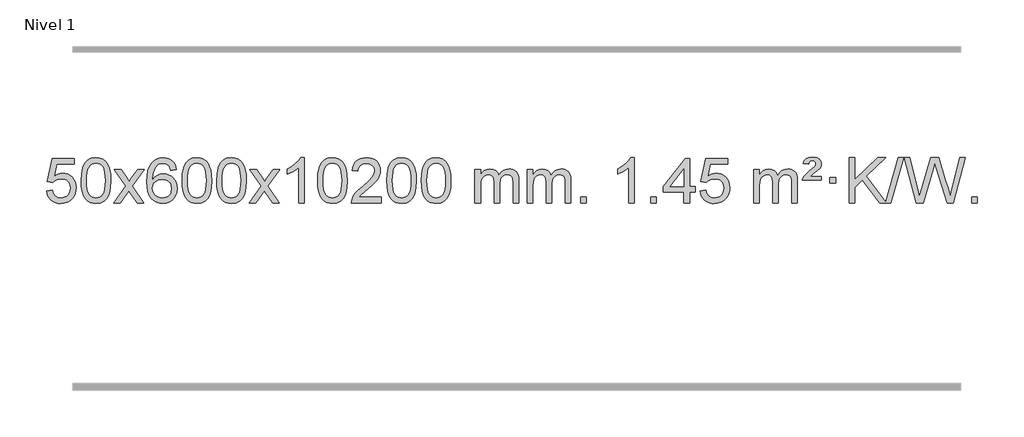
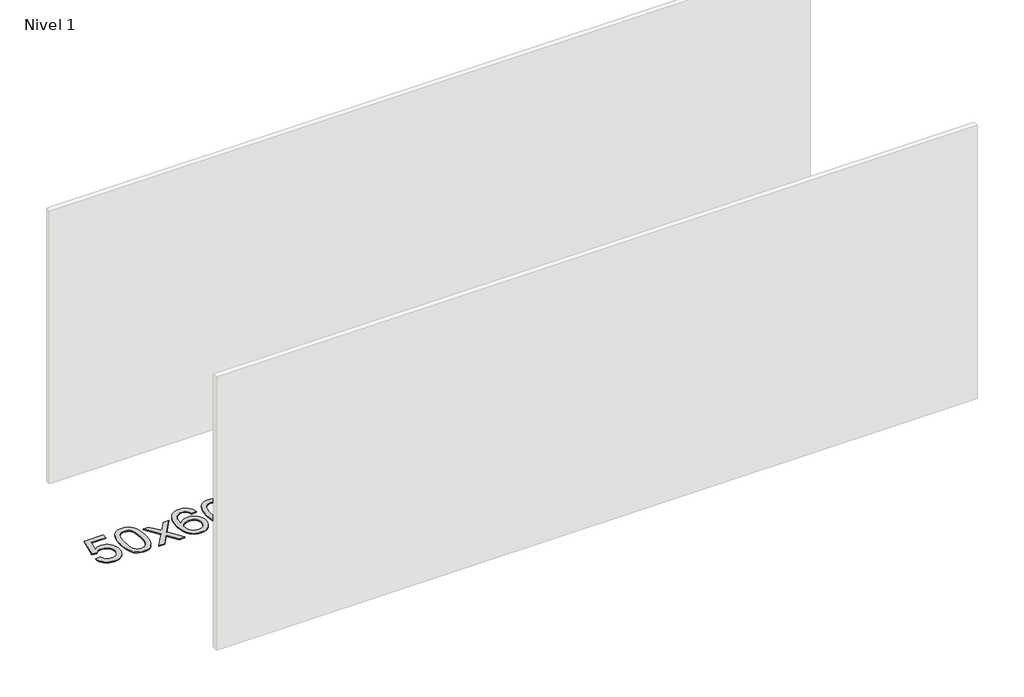
# One storey, part 16 of 16: 1 proxy.
"""IFC4 building model written with IfcOpenShell, lengths in millimetres."""

from ifc_helpers import new_model, si_unit, origin, origin_with_axes, place, context, project, spatial, polyline, outline, extrude, element, save

model = new_model("IFC4")

# Units and contexts
model_context = context("Model", 3, world=origin())
ifc_project = project(units=[si_unit("LENGTHUNIT", "METRE", prefix="MILLI")], contexts=[model_context])

# Site, building, storey
site = spatial("IfcSite", under=ifc_project)
building = spatial("IfcBuilding", under=site)
storey = spatial("IfcBuildingStorey", under=building, Name="Nivel 1", Elevation=0.0)

# Proxy
placement = place(None, origin())
element("IfcBuildingElementProxy", 1, Name="Texto de modelo 1", ObjectType="Texto de modelo 1", at=placement, inside=storey, context=model_context, shape_type="SweptSolid", body=[
    extrude(outline(polyline([(-463.8171603, 2715.1553765), (-413.5890052, 2721.4338959), (-404.3674299, 2691.2798351), (-388.278724, 2669.6851619), (-365.3964639, 2656.6989275), (-335.794226, 2652.3701827), (-316.6643622, 2653.8754332), (-299.7908414, 2658.3911847), (-285.1736634, 2665.9174372), (-272.8128284, 2676.4541906), (-262.9842478, 2689.480279), (-255.963833, 2704.4745359), (-250.3475012, 2740.3675559), (-255.6082138, 2774.1636486), (-262.1841044, 2788.0818507), (-271.3903514, 2800.0134901), (-283.2576114, 2809.5845533), (-297.8165413, 2816.4210271), (-335.0094111, 2821.8902061), (-359.3754619, 2819.7074396), (-379.1061995, 2813.1591401), (-394.8638117, 2803.1282243), (-407.3104858, 2790.4976092), (-457.5386409, 2796.7761285), (-413.5890052, 3003.9672682), (-218.9549043, 3003.9672682), (-218.9549043, 2953.7391131), (-372.974833, 2953.7391131), (-394.4591415, 2843.080209), (-376.7333607, 2855.7844006), (-358.5783842, 2864.8588231), (-339.9942121, 2870.3034766), (-320.9808443, 2872.1183612), (-296.5197573, 2869.8681496), (-274.0513645, 2863.117515), (-253.5756657, 2851.8664573), (-235.0926612, 2836.1149766), (-219.7918358, 2816.8256973), (-208.8626749, 2794.961244), (-202.3051783, 2770.5216168), (-200.1193462, 2743.5068156), (-202.0875148, 2717.4852958), (-207.9920209, 2693.2786606), (-217.8328642, 2670.8869098), (-231.6100449, 2650.3100435), (-252.4812168, 2629.2365366), (-276.8350049, 2614.1840316), (-304.6714092, 2605.1525286), (-335.9904297, 2602.1420276), (-361.9107819, 2604.0764738), (-385.3234053, 2609.8798123), (-406.2282996, 2619.552043), (-424.6254651, 2633.0931662), (-439.9324218, 2649.8287312), (-451.5666899, 2669.084288), (-459.5282694, 2690.8598364), (-463.8171603, 2715.1553765)])), origin_with_axes(), (0.0, 0.0, 1.0), 10.0),
    extrude(outline(polyline([(-156.1697105, 2806.0958057), (-152.4786278, 2870.4138412), (-141.4053797, 2921.7088541), (-123.0603309, 2960.7656593), (-111.2022679, 2975.9990395), (-97.5538459, 2988.3690716), (-82.0690796, 2997.9401349), (-64.7019837, 3004.7766086), (-24.3208034, 3010.2457876), (6.6303351, 3007.008426), (34.3441121, 2997.2963414), (57.5206778, 2981.4896783), (74.8601825, 2959.9685816), (87.9567815, 2932.9169922), (98.4046302, 2900.5188512), (105.2472353, 2859.3773814), (107.5281037, 2806.0958057), (103.8738092, 2742.1456523), (92.9109257, 2690.9732667), (74.6762415, 2651.8796734), (62.8457697, 2636.6003078), (49.2065447, 2624.1658964), (33.7033843, 2614.5304538), (16.2811061, 2607.6479948), (-24.3208034, 2602.1420276), (-51.9855294, 2604.5332606), (-76.5109958, 2611.7069595), (-97.8972024, 2623.6631243), (-116.1441494, 2640.4017551), (-133.6553324, 2670.6600492), (-146.1633202, 2708.3618224), (-153.6681129, 2753.5070745), (-156.1697105, 2806.0958057)]), holes=[polyline([(-105.9415554, 2806.1939076), (-104.4700274, 2762.5293805), (-100.0554435, 2727.1851178), (-92.6978036, 2700.1611196), (-82.3971077, 2681.4573858), (-69.9381708, 2668.7317344), (-56.1058078, 2659.6419835), (-40.9000186, 2654.1881329), (-24.3208034, 2652.3701827), (-7.7415881, 2654.1942643), (7.464201, 2659.6665089), (21.296564, 2668.7869167), (33.7555009, 2681.5554876), (44.0561968, 2700.2898783), (51.4138367, 2727.3077451), (55.8284206, 2762.6090882), (57.2999486, 2806.1939076), (55.8774716, 2848.7026722), (51.6100404, 2883.4246011), (44.4976552, 2910.3596945), (34.5403158, 2929.5079524), (22.2898454, 2942.8559375), (8.2980668, 2952.3902125), (-7.4350198, 2958.1107775), (-24.9094146, 2960.0176325), (-41.4027907, 2958.3376381), (-56.3510624, 2953.2976548), (-69.7542298, 2944.8976825), (-81.6122928, 2933.1377214), (-92.2563452, 2912.291075), (-99.8592397, 2884.1848906), (-104.4209765, 2848.8191681), (-105.9415554, 2806.1939076)])]), origin_with_axes(), (0.0, 0.0, 1.0), 10.0),
    extrude(outline(polyline([(132.6421812, 2608.420547), (239.9656219, 2756.7505675), (138.9207006, 2903.5109581), (199.3514497, 2903.5109581), (248.1080768, 2832.877615), (270.8677095, 2799.5229808), (290.5861845, 2826.7952993), (346.1118403, 2903.5109581), (406.5425894, 2903.5109581), (300.396371, 2756.7505675), (402.6185147, 2608.420547), (342.1877657, 2608.420547), (280.6778961, 2697.5951426), (269.3961816, 2713.8800523), (193.0729303, 2608.420547), (132.6421812, 2608.420547)])), origin_with_axes(), (0.0, 0.0, 1.0), 10.0),
    extrude(outline(polyline([(691.4304064, 2903.5109581), (641.2022513, 2897.2324387), (633.1088475, 2922.125787), (622.1704895, 2939.1219352), (599.3863312, 2954.7937082), (571.8442325, 2960.0176325), (548.4959886, 2956.9764747), (526.5211707, 2947.8530012), (507.6488244, 2928.6372983), (492.2345688, 2902.1865829), (481.8235083, 2864.772984), (477.9607474, 2812.6686307), (498.108418, 2836.1762902), (522.2537396, 2852.7432427), (549.0478116, 2862.565692), (577.1417333, 2865.8398418), (601.2747921, 2863.601893), (623.5439156, 2856.8880466), (643.9491036, 2845.6983025), (662.4903561, 2830.0326609), (677.8984804, 2810.8230894), (688.9042834, 2789.0015557), (695.5077652, 2764.5680599), (697.7089258, 2737.5226018), (693.564122, 2701.5560055), (681.1297106, 2668.213634), (661.4357611, 2639.9357713), (635.5123432, 2619.1627013), (604.5366792, 2606.397196), (569.6859915, 2602.1420276), (539.7434628, 2604.9624563), (512.7010704, 2613.4237421), (488.5588145, 2627.5258853), (467.316695, 2647.2688857), (449.99865, 2673.4866092), (437.628618, 2707.0129217), (430.2065987, 2747.8478232), (427.7325923, 2795.9913136), (430.4794445, 2849.9657337), (438.7200012, 2896.0306908), (452.4542624, 2934.1861851), (471.682228, 2964.4322165), (492.522743, 2984.4756538), (516.6864587, 2998.7923948), (544.1733751, 3007.3824394), (574.9834922, 3010.2457876), (598.1171383, 3008.4738227), (619.0557552, 3003.1579278), (637.7993429, 2994.2981031), (654.3479013, 2981.8943485), (668.2538407, 2966.3635969), (679.0695714, 2948.1227814), (686.7950933, 2927.1719017), (691.4304064, 2903.5109581)]), holes=[polyline([(477.9607474, 2738.3074168), (480.8670151, 2716.0505561), (489.5858184, 2694.7992395), (503.1238758, 2676.527767), (520.487906, 2663.2104388), (541.444917, 2655.0802467), (565.7619169, 2652.3701827), (598.9080846, 2657.9865145), (612.8232211, 2665.0069292), (624.9663926, 2674.8355099), (634.8164331, 2687.0737176), (641.8521762, 2701.3230135), (647.4807707, 2735.8548701), (641.9257526, 2769.0010379), (634.9819799, 2782.6218688), (625.2606982, 2794.274531), (613.0807385, 2803.6095366), (598.7609318, 2810.2773978), (563.7017777, 2815.6116867), (530.6046609, 2810.2773978), (502.9276721, 2794.274531), (492.0046425, 2782.7751529), (484.2024785, 2769.6141746), (479.5211802, 2754.7915958), (477.9607474, 2738.3074168)])]), origin_with_axes(), (0.0, 0.0, 1.0), 10.0),
    extrude(outline(polyline([(741.6585615, 2806.0958057), (745.3496442, 2870.4138412), (756.4228922, 2921.7088541), (774.7679411, 2960.7656593), (786.626004, 2975.9990395), (800.2744261, 2988.3690716), (815.7591924, 2997.9401349), (833.1262882, 3004.7766086), (873.5074686, 3010.2457876), (904.4586071, 3007.008426), (932.1723841, 2997.2963414), (955.3489498, 2981.4896783), (972.6884545, 2959.9685816), (985.7850535, 2932.9169922), (996.2329022, 2900.5188512), (1003.0755073, 2859.3773814), (1005.3563756, 2806.0958057), (1001.7020812, 2742.1456523), (990.7391977, 2690.9732667), (972.5045135, 2651.8796734), (960.6740416, 2636.6003078), (947.0348167, 2624.1658964), (931.5316563, 2614.5304538), (914.1093781, 2607.6479948), (873.5074686, 2602.1420276), (845.8427425, 2604.5332606), (821.3172762, 2611.7069595), (799.9310695, 2623.6631243), (781.6841226, 2640.4017551), (764.1729396, 2670.6600492), (751.6649518, 2708.3618224), (744.1601591, 2753.5070745), (741.6585615, 2806.0958057)]), holes=[polyline([(791.8867166, 2806.1939076), (793.3582446, 2762.5293805), (797.7728285, 2727.1851178), (805.1304684, 2700.1611196), (815.4311643, 2681.4573858), (827.8901012, 2668.7317344), (841.7224642, 2659.6419835), (856.9282533, 2654.1881329), (873.5074686, 2652.3701827), (890.0866838, 2654.1942643), (905.292473, 2659.6665089), (919.124836, 2668.7869167), (931.5837729, 2681.5554876), (941.8844687, 2700.2898783), (949.2421086, 2727.3077451), (953.6566926, 2762.6090882), (955.1282206, 2806.1939076), (953.7057435, 2848.7026722), (949.4383124, 2883.4246011), (942.3259271, 2910.3596945), (932.3685878, 2929.5079524), (920.1181174, 2942.8559375), (906.1263388, 2952.3902125), (890.3932521, 2958.1107775), (872.9188574, 2960.0176325), (856.4254813, 2958.3376381), (841.4772095, 2953.2976548), (828.0740422, 2944.8976825), (816.2159792, 2933.1377214), (805.5719268, 2912.291075), (797.9690322, 2884.1848906), (793.4072955, 2848.8191681), (791.8867166, 2806.1939076)])]), origin_with_axes(), (0.0, 0.0, 1.0), 10.0),
    extrude(outline(polyline([(1049.3060113, 2806.0958057), (1052.997094, 2870.4138412), (1064.0703421, 2921.7088541), (1082.4153909, 2960.7656593), (1094.2734539, 2975.9990395), (1107.9218759, 2988.3690716), (1123.4066422, 2997.9401349), (1140.7737381, 3004.7766086), (1181.1549184, 3010.2457876), (1212.1060569, 3007.008426), (1239.8198339, 2997.2963414), (1262.9963996, 2981.4896783), (1280.3359043, 2959.9685816), (1293.4325033, 2932.9169922), (1303.880352, 2900.5188512), (1310.7229571, 2859.3773814), (1313.0038255, 2806.0958057), (1309.349531, 2742.1456523), (1298.3866475, 2690.9732667), (1280.1519633, 2651.8796734), (1268.3214915, 2636.6003078), (1254.6822665, 2624.1658964), (1239.1791061, 2614.5304538), (1221.7568279, 2607.6479948), (1181.1549184, 2602.1420276), (1153.4901924, 2604.5332606), (1128.964726, 2611.7069595), (1107.5785194, 2623.6631243), (1089.3315724, 2640.4017551), (1071.8203894, 2670.6600492), (1059.3124016, 2708.3618224), (1051.8076089, 2753.5070745), (1049.3060113, 2806.0958057)]), holes=[polyline([(1099.5341664, 2806.1939076), (1101.0056944, 2762.5293805), (1105.4202783, 2727.1851178), (1112.7779182, 2700.1611196), (1123.0786141, 2681.4573858), (1135.537551, 2668.7317344), (1149.369914, 2659.6419835), (1164.5757032, 2654.1881329), (1181.1549184, 2652.3701827), (1197.7341337, 2654.1942643), (1212.9399228, 2659.6665089), (1226.7722858, 2668.7869167), (1239.2312227, 2681.5554876), (1249.5319186, 2700.2898783), (1256.8895585, 2727.3077451), (1261.3041424, 2762.6090882), (1262.7756704, 2806.1939076), (1261.3531934, 2848.7026722), (1257.0857622, 2883.4246011), (1249.973377, 2910.3596945), (1240.0160376, 2929.5079524), (1227.7655672, 2942.8559375), (1213.7737886, 2952.3902125), (1198.040702, 2958.1107775), (1180.5663072, 2960.0176325), (1164.0729311, 2958.3376381), (1149.1246594, 2953.2976548), (1135.721492, 2944.8976825), (1123.863429, 2933.1377214), (1113.2193766, 2912.291075), (1105.6164821, 2884.1848906), (1101.0547453, 2848.8191681), (1099.5341664, 2806.1939076)])]), origin_with_axes(), (0.0, 0.0, 1.0), 10.0),
    extrude(outline(polyline([(1338.117903, 2608.420547), (1445.4413437, 2756.7505675), (1344.3964224, 2903.5109581), (1404.8271715, 2903.5109581), (1453.5837986, 2832.877615), (1476.3434313, 2799.5229808), (1496.0619063, 2826.7952993), (1551.5875621, 2903.5109581), (1612.0183112, 2903.5109581), (1505.8720928, 2756.7505675), (1608.0942365, 2608.420547), (1547.6634875, 2608.420547), (1486.1536179, 2697.5951426), (1474.8719034, 2713.8800523), (1398.5486521, 2608.420547), (1338.117903, 2608.420547)])), origin_with_axes(), (0.0, 0.0, 1.0), 10.0),
    extrude(outline(polyline([(1827.842415, 2608.420547), (1777.6142599, 2608.420547), (1777.6142599, 2921.5617013), (1756.6449862, 2904.6023413), (1730.0348552, 2887.6675068), (1677.1579498, 2862.3081746), (1677.1579498, 2909.7894775), (1716.6071624, 2931.2492605), (1750.7833997, 2956.780271), (1777.7246245, 2983.9299622), (1795.4687994, 3010.2457876), (1827.842415, 3010.2457876), (1827.842415, 2608.420547)])), origin_with_axes(), (0.0, 0.0, 1.0), 10.0),
    extrude(outline(polyline([(1947.1342833, 2806.0958057), (1950.825366, 2870.4138412), (1961.898614, 2921.7088541), (1980.2436629, 2960.7656593), (1992.1017258, 2975.9990395), (2005.7501479, 2988.3690716), (2021.2349142, 2997.9401349), (2038.60201, 3004.7766086), (2078.9831904, 3010.2457876), (2109.9343289, 3007.008426), (2137.6481059, 2997.2963414), (2160.8246716, 2981.4896783), (2178.1641763, 2959.9685816), (2191.2607753, 2932.9169922), (2201.708624, 2900.5188512), (2208.5512291, 2859.3773814), (2210.8320974, 2806.0958057), (2207.177803, 2742.1456523), (2196.2149195, 2690.9732667), (2177.9802353, 2651.8796734), (2166.1497634, 2636.6003078), (2152.5105385, 2624.1658964), (2137.0073781, 2614.5304538), (2119.5850999, 2607.6479948), (2078.9831904, 2602.1420276), (2051.3184643, 2604.5332606), (2026.792998, 2611.7069595), (2005.4067913, 2623.6631243), (1987.1598444, 2640.4017551), (1969.6486614, 2670.6600492), (1957.1406736, 2708.3618224), (1949.6358809, 2753.5070745), (1947.1342833, 2806.0958057)]), holes=[polyline([(1997.3624384, 2806.1939076), (1998.8339664, 2762.5293805), (2003.2485503, 2727.1851178), (2010.6061902, 2700.1611196), (2020.9068861, 2681.4573858), (2033.365823, 2668.7317344), (2047.198186, 2659.6419835), (2062.4039751, 2654.1881329), (2078.9831904, 2652.3701827), (2095.5624056, 2654.1942643), (2110.7681947, 2659.6665089), (2124.6005578, 2668.7869167), (2137.0594947, 2681.5554876), (2147.3601905, 2700.2898783), (2154.7178304, 2727.3077451), (2159.1324144, 2762.6090882), (2160.6039424, 2806.1939076), (2159.1814653, 2848.7026722), (2154.9140342, 2883.4246011), (2147.8016489, 2910.3596945), (2137.8443096, 2929.5079524), (2125.5938392, 2942.8559375), (2111.6020606, 2952.3902125), (2095.8689739, 2958.1107775), (2078.3945792, 2960.0176325), (2061.9012031, 2958.3376381), (2046.9529313, 2953.2976548), (2033.549764, 2944.8976825), (2021.691701, 2933.1377214), (2011.0476486, 2912.291075), (2003.444754, 2884.1848906), (1998.8830173, 2848.8191681), (1997.3624384, 2806.1939076)])]), origin_with_axes(), (0.0, 0.0, 1.0), 10.0),
    extrude(outline(polyline([(2512.2010279, 2658.6487021), (2512.2010279, 2608.420547), (2248.5032137, 2608.420547), (2249.6068597, 2626.1034082), (2253.8988163, 2643.0505055), (2266.2841768, 2670.1143576), (2284.4084965, 2696.3688693), (2310.62622, 2723.8496544), (2347.2917922, 2754.5923264), (2401.4930728, 2802.7358169), (2434.0138412, 2838.2732176), (2450.2742254, 2867.115166), (2455.6943534, 2895.1722995), (2450.5807937, 2920.3231653), (2435.2401145, 2941.2311253), (2411.6588786, 2955.3210057), (2381.8236488, 2960.0176325), (2350.4923655, 2955.4313703), (2326.1508402, 2941.6725837), (2310.442279, 2919.8203932), (2305.0098882, 2890.9539193), (2254.7817331, 2897.2324387), (2259.1012809, 2923.161988), (2266.9586272, 2945.8173875), (2278.353772, 2965.1986373), (2293.2867153, 2981.3057373), (2311.4141006, 2993.9670093), (2332.3925714, 3003.010775), (2356.2221276, 3008.4370345), (2382.9027693, 3010.2457876), (2409.8225343, 3008.2346994), (2433.7808492, 3002.2014346), (2454.7777141, 2992.1459934), (2472.8131289, 2978.0683758), (2487.2984825, 2961.0109139), (2497.6451636, 2942.0159402), (2503.8531723, 2921.0834547), (2505.9225085, 2898.2134573), (2503.6906911, 2874.1907631), (2496.9952388, 2850.5850017), (2485.1126503, 2826.5745701), (2467.3194245, 2801.3378653), (2438.9557226, 2771.2083299), (2395.3617062, 2732.5194067), (2337.5797075, 2684.204238), (2314.9181766, 2658.6487021), (2512.2010279, 2658.6487021)])), origin_with_axes(), (0.0, 0.0, 1.0), 10.0),
    extrude(outline(polyline([(2562.429183, 2806.0958057), (2566.1202656, 2870.4138412), (2577.1935137, 2921.7088541), (2595.5385625, 2960.7656593), (2607.3966255, 2975.9990395), (2621.0450475, 2988.3690716), (2636.5298138, 2997.9401349), (2653.8969097, 3004.7766086), (2694.27809, 3010.2457876), (2725.2292286, 3007.008426), (2752.9430055, 2997.2963414), (2776.1195712, 2981.4896783), (2793.4590759, 2959.9685816), (2806.555675, 2932.9169922), (2817.0035236, 2900.5188512), (2823.8461287, 2859.3773814), (2826.1269971, 2806.0958057), (2822.4727026, 2742.1456523), (2811.5098192, 2690.9732667), (2793.2751349, 2651.8796734), (2781.4446631, 2636.6003078), (2767.8054381, 2624.1658964), (2752.3022777, 2614.5304538), (2734.8799996, 2607.6479948), (2694.27809, 2602.1420276), (2666.613364, 2604.5332606), (2642.0878976, 2611.7069595), (2620.701691, 2623.6631243), (2602.454744, 2640.4017551), (2584.9435611, 2670.6600492), (2572.4355732, 2708.3618224), (2564.9307805, 2753.5070745), (2562.429183, 2806.0958057)]), holes=[polyline([(2612.657338, 2806.1939076), (2614.128866, 2762.5293805), (2618.54345, 2727.1851178), (2625.9010899, 2700.1611196), (2636.2017857, 2681.4573858), (2648.6607226, 2668.7317344), (2662.4930856, 2659.6419835), (2677.6988748, 2654.1881329), (2694.27809, 2652.3701827), (2710.8573053, 2654.1942643), (2726.0630944, 2659.6665089), (2739.8954574, 2668.7869167), (2752.3543943, 2681.5554876), (2762.6550902, 2700.2898783), (2770.0127301, 2727.3077451), (2774.427314, 2762.6090882), (2775.898842, 2806.1939076), (2774.476365, 2848.7026722), (2770.2089338, 2883.4246011), (2763.0965486, 2910.3596945), (2753.1392093, 2929.5079524), (2740.8887388, 2942.8559375), (2726.8969603, 2952.3902125), (2711.1638736, 2958.1107775), (2693.6894788, 2960.0176325), (2677.1961027, 2958.3376381), (2662.247831, 2953.2976548), (2648.8446636, 2944.8976825), (2636.9866007, 2933.1377214), (2626.3425483, 2912.291075), (2618.7396537, 2884.1848906), (2614.1779169, 2848.8191681), (2612.657338, 2806.1939076)])]), origin_with_axes(), (0.0, 0.0, 1.0), 10.0),
    extrude(outline(polyline([(2870.0766328, 2806.0958057), (2873.7677155, 2870.4138412), (2884.8409635, 2921.7088541), (2903.1860124, 2960.7656593), (2915.0440753, 2975.9990395), (2928.6924974, 2988.3690716), (2944.1772637, 2997.9401349), (2961.5443595, 3004.7766086), (3001.9255399, 3010.2457876), (3032.8766784, 3007.008426), (3060.5904554, 2997.2963414), (3083.7670211, 2981.4896783), (3101.1065258, 2959.9685816), (3114.2031248, 2932.9169922), (3124.6509735, 2900.5188512), (3131.4935786, 2859.3773814), (3133.7744469, 2806.0958057), (3130.1201525, 2742.1456523), (3119.157269, 2690.9732667), (3100.9225848, 2651.8796734), (3089.0921129, 2636.6003078), (3075.452888, 2624.1658964), (3059.9497276, 2614.5304538), (3042.5274494, 2607.6479948), (3001.9255399, 2602.1420276), (2974.2608138, 2604.5332606), (2949.7353475, 2611.7069595), (2928.3491408, 2623.6631243), (2910.1021939, 2640.4017551), (2892.5910109, 2670.6600492), (2880.0830231, 2708.3618224), (2872.5782304, 2753.5070745), (2870.0766328, 2806.0958057)]), holes=[polyline([(2920.3047879, 2806.1939076), (2921.7763158, 2762.5293805), (2926.1908998, 2727.1851178), (2933.5485397, 2700.1611196), (2943.8492356, 2681.4573858), (2956.3081725, 2668.7317344), (2970.1405355, 2659.6419835), (2985.3463246, 2654.1881329), (3001.9255399, 2652.3701827), (3018.5047551, 2654.1942643), (3033.7105442, 2659.6665089), (3047.5429073, 2668.7869167), (3060.0018442, 2681.5554876), (3070.30254, 2700.2898783), (3077.6601799, 2727.3077451), (3082.0747639, 2762.6090882), (3083.5462919, 2806.1939076), (3082.1238148, 2848.7026722), (3077.8563837, 2883.4246011), (3070.7439984, 2910.3596945), (3060.7866591, 2929.5079524), (3048.5361887, 2942.8559375), (3034.5444101, 2952.3902125), (3018.8113234, 2958.1107775), (3001.3369287, 2960.0176325), (2984.8435526, 2958.3376381), (2969.8952808, 2953.2976548), (2956.4921135, 2944.8976825), (2944.6340505, 2933.1377214), (2933.9899981, 2912.291075), (2926.3871035, 2884.1848906), (2921.8253668, 2848.8191681), (2920.3047879, 2806.1939076)])]), origin_with_axes(), (0.0, 0.0, 1.0), 10.0),
    extrude(outline(polyline([(3347.244106, 2608.420547), (3347.244106, 2903.5109581), (3397.4722611, 2903.5109581), (3397.4722611, 2854.9505347), (3412.5799483, 2877.2564463), (3432.0041177, 2894.7308411), (3455.0825815, 2906.0248184), (3481.1531522, 2909.7894775), (3509.0876584, 2905.951242), (3531.4794092, 2894.4365355), (3548.2057772, 2876.0056476), (3559.1441352, 2851.4188676), (3577.4523959, 2876.9560094), (3598.3358304, 2895.196825), (3621.794439, 2906.1413143), (3647.8282215, 2909.7894775), (3667.9360383, 2908.2719642), (3685.585177, 2903.7194245), (3700.7756377, 2896.1318584), (3713.5074204, 2885.5092658), (3723.5720587, 2871.7290194), (3730.761086, 2854.6684918), (3735.0745024, 2834.3276832), (3736.5123078, 2810.7065934), (3736.5123078, 2608.420547), (3686.2841528, 2608.420547), (3686.2841528, 2789.124183), (3685.1191931, 2814.1769469), (3681.6243142, 2831.0627305), (3675.0760146, 2842.6264879), (3664.7507933, 2851.7131732), (3651.4702533, 2857.5992851), (3636.0559977, 2859.5613224), (3608.8449928, 2854.5336018), (3586.6617085, 2839.45044), (3578.0563355, 2827.8805512), (3571.9096405, 2813.2817674), (3566.9922845, 2774.9975144), (3566.9922845, 2608.420547), (3516.7641294, 2608.420547), (3516.7641294, 2794.7159894), (3513.8578616, 2823.1164794), (3505.1390583, 2843.3745146), (3489.7983791, 2855.5146204), (3467.0264836, 2859.5613224), (3447.6758907, 2856.8635211), (3429.8458767, 2848.7701172), (3415.1305968, 2835.4773144), (3405.1242066, 2817.1813165), (3399.3852475, 2791.7974589), (3397.4722611, 2757.2410768), (3397.4722611, 2608.420547), (3347.244106, 2608.420547)])), origin_with_axes(), (0.0, 0.0, 1.0), 10.0),
    extrude(outline(polyline([(3811.8545404, 2608.420547), (3811.8545404, 2903.5109581), (3862.0826955, 2903.5109581), (3862.0826955, 2854.9505347), (3877.1903828, 2877.2564463), (3896.6145521, 2894.7308411), (3919.693016, 2906.0248184), (3945.7635867, 2909.7894775), (3973.6980929, 2905.951242), (3996.0898436, 2894.4365355), (4012.8162117, 2876.0056476), (4023.7545697, 2851.4188676), (4042.0628303, 2876.9560094), (4062.9462649, 2895.196825), (4086.4048734, 2906.1413143), (4112.438656, 2909.7894775), (4132.5464727, 2908.2719642), (4150.1956114, 2903.7194245), (4165.3860721, 2896.1318584), (4178.1178548, 2885.5092658), (4188.1824931, 2871.7290194), (4195.3715204, 2854.6684918), (4199.6849368, 2834.3276832), (4201.1227423, 2810.7065934), (4201.1227423, 2608.420547), (4150.8945872, 2608.420547), (4150.8945872, 2789.124183), (4149.7296276, 2814.1769469), (4146.2347486, 2831.0627305), (4139.6864491, 2842.6264879), (4129.3612278, 2851.7131732), (4116.0806877, 2857.5992851), (4100.6664321, 2859.5613224), (4073.4554272, 2854.5336018), (4051.2721429, 2839.45044), (4042.6667699, 2827.8805512), (4036.5200749, 2813.2817674), (4031.6027189, 2774.9975144), (4031.6027189, 2608.420547), (3981.3745638, 2608.420547), (3981.3745638, 2794.7159894), (3978.4682961, 2823.1164794), (3969.7494928, 2843.3745146), (3954.4088136, 2855.5146204), (3931.6369181, 2859.5613224), (3912.2863251, 2856.8635211), (3894.4563111, 2848.7701172), (3879.7410313, 2835.4773144), (3869.734641, 2817.1813165), (3863.9956819, 2791.7974589), (3862.0826955, 2757.2410768), (3862.0826955, 2608.420547), (3811.8545404, 2608.420547)])), origin_with_axes(), (0.0, 0.0, 1.0), 10.0),
    extrude(outline(polyline([(4289.0220137, 2608.420547), (4289.0220137, 2658.6487021), (4339.2501687, 2658.6487021), (4339.2501687, 2608.420547), (4289.0220137, 2608.420547)])), origin_with_axes(), (0.0, 0.0, 1.0), 10.0),
    extrude(outline(polyline([(4766.1894869, 2608.420547), (4715.9613318, 2608.420547), (4715.9613318, 2921.5617013), (4694.9920581, 2904.6023413), (4668.3819271, 2887.6675068), (4615.5050216, 2862.3081746), (4615.5050216, 2909.7894775), (4654.9542343, 2931.2492605), (4689.1304716, 2956.780271), (4716.0716964, 2983.9299622), (4733.8158713, 3010.2457876), (4766.1894869, 3010.2457876), (4766.1894869, 2608.420547)])), origin_with_axes(), (0.0, 0.0, 1.0), 10.0),
    extrude(outline(polyline([(4910.5954327, 2608.420547), (4910.5954327, 2658.6487021), (4960.8235878, 2658.6487021), (4960.8235878, 2608.420547), (4910.5954327, 2608.420547)])), origin_with_axes(), (0.0, 0.0, 1.0), 10.0),
    extrude(outline(polyline([(5205.6858438, 2608.420547), (5205.6858438, 2702.5983378), (5023.6087816, 2702.5983378), (5023.6087816, 2752.8264928), (5218.2428825, 3003.9672682), (5255.9139988, 3003.9672682), (5255.9139988, 2752.8264928), (5306.1421539, 2752.8264928), (5306.1421539, 2702.5983378), (5255.9139988, 2702.5983378), (5255.9139988, 2608.420547), (5205.6858438, 2608.420547)]), holes=[polyline([(5205.6858438, 2752.8264928), (5205.6858438, 2908.0236439), (5085.4129568, 2752.8264928), (5205.6858438, 2752.8264928)])]), origin_with_axes(), (0.0, 0.0, 1.0), 10.0),
    extrude(outline(polyline([(5350.0917896, 2715.1553765), (5400.3199447, 2721.4338959), (5409.54152, 2691.2798351), (5425.630226, 2669.6851619), (5448.5124861, 2656.6989275), (5478.1147239, 2652.3701827), (5497.2445877, 2653.8754332), (5514.1181085, 2658.3911847), (5528.7352865, 2665.9174372), (5541.0961215, 2676.4541906), (5550.9247021, 2689.480279), (5557.9451169, 2704.4745359), (5563.5614487, 2740.3675559), (5558.3007361, 2774.1636486), (5551.7248455, 2788.0818507), (5542.5185986, 2800.0134901), (5530.6513385, 2809.5845533), (5516.0924086, 2816.4210271), (5478.8995389, 2821.8902061), (5454.533488, 2819.7074396), (5434.8027504, 2813.1591401), (5419.0451382, 2803.1282243), (5406.5984641, 2790.4976092), (5356.370309, 2796.7761285), (5400.3199447, 3003.9672682), (5594.9540456, 3003.9672682), (5594.9540456, 2953.7391131), (5440.934117, 2953.7391131), (5419.4498084, 2843.080209), (5437.1755892, 2855.7844006), (5455.3305657, 2864.8588231), (5473.9147378, 2870.3034766), (5492.9281056, 2872.1183612), (5517.3891926, 2869.8681496), (5539.8575855, 2863.117515), (5560.3332842, 2851.8664573), (5578.8162887, 2836.1149766), (5594.1171141, 2816.8256973), (5605.046275, 2794.961244), (5611.6037716, 2770.5216168), (5613.7896038, 2743.5068156), (5611.8214351, 2717.4852958), (5605.9169291, 2693.2786606), (5596.0760857, 2670.8869098), (5582.298905, 2650.3100435), (5561.4277331, 2629.2365366), (5537.073945, 2614.1840316), (5509.2375407, 2605.1525286), (5477.9185202, 2602.1420276), (5451.998168, 2604.0764738), (5428.5855447, 2609.8798123), (5407.6806503, 2619.552043), (5389.2834848, 2633.0931662), (5373.9765281, 2649.8287312), (5362.3422601, 2669.084288), (5354.3806805, 2690.8598364), (5350.0917896, 2715.1553765)])), origin_with_axes(), (0.0, 0.0, 1.0), 10.0),
    extrude(outline(polyline([(5827.2592628, 2608.420547), (5827.2592628, 2903.5109581), (5877.4874179, 2903.5109581), (5877.4874179, 2854.9505347), (5892.5951052, 2877.2564463), (5912.0192745, 2894.7308411), (5935.0977383, 2906.0248184), (5961.1683091, 2909.7894775), (5989.1028152, 2905.951242), (6011.494566, 2894.4365355), (6028.2209341, 2876.0056476), (6039.159292, 2851.4188676), (6057.4675527, 2876.9560094), (6078.3509873, 2895.196825), (6101.8095958, 2906.1413143), (6127.8433783, 2909.7894775), (6147.9511951, 2908.2719642), (6165.6003338, 2903.7194245), (6180.7907945, 2896.1318584), (6193.5225772, 2885.5092658), (6203.5872155, 2871.7290194), (6210.7762428, 2854.6684918), (6215.0896592, 2834.3276832), (6216.5274647, 2810.7065934), (6216.5274647, 2608.420547), (6166.2993096, 2608.420547), (6166.2993096, 2789.124183), (6165.1343499, 2814.1769469), (6161.639471, 2831.0627305), (6155.0911715, 2842.6264879), (6144.7659501, 2851.7131732), (6131.4854101, 2857.5992851), (6116.0711545, 2859.5613224), (6088.8601496, 2854.5336018), (6066.6768653, 2839.45044), (6058.0714923, 2827.8805512), (6051.9247973, 2813.2817674), (6047.0074413, 2774.9975144), (6047.0074413, 2608.420547), (5996.7792862, 2608.420547), (5996.7792862, 2794.7159894), (5993.8730184, 2823.1164794), (5985.1542152, 2843.3745146), (5969.813536, 2855.5146204), (5947.0416405, 2859.5613224), (5927.6910475, 2856.8635211), (5909.8610335, 2848.7701172), (5895.1457537, 2835.4773144), (5885.1393634, 2817.1813165), (5879.4004043, 2791.7974589), (5877.4874179, 2757.2410768), (5877.4874179, 2608.420547), (5827.2592628, 2608.420547)])), origin_with_axes(), (0.0, 0.0, 1.0), 10.0),
    extrude(outline(polyline([(6260.4771003, 2809.3331673), (6264.3030731, 2825.1520931), (6272.6417317, 2841.0200698), (6294.1505656, 2866.1586728), (6326.1072483, 2893.8969753), (6370.2530877, 2931.273786), (6377.3899984, 2942.8007552), (6379.7689686, 2954.6220299), (6377.8805077, 2966.7130848), (6372.215125, 2976.4987459), (6362.8463969, 2982.973469), (6349.8478997, 2985.1317101), (6337.4134883, 2983.5130293), (6328.5597949, 2978.656987), (6322.1341227, 2969.1901569), (6316.9837748, 2953.7391131), (6266.7556197, 2960.0176325), (6277.5958759, 2985.2298119), (6294.224142, 3002.7900458), (6317.9893189, 3013.0907417), (6350.2403072, 3016.524307), (6386.0229626, 3012.3917659), (6410.7691581, 2999.9941427), (6425.1901323, 2981.6613566), (6429.9971237, 2959.7233269), (6425.9013708, 2936.8165414), (6413.6141122, 2915.1850801), (6393.0862969, 2895.3685032), (6356.6169284, 2867.3113697), (6331.0123416, 2840.7257642), (6429.9971237, 2840.7257642), (6429.9971237, 2809.3331673), (6260.4771003, 2809.3331673)])), origin_with_axes(), (0.0, 0.0, 1.0), 10.0),
    extrude(outline(polyline([(6505.3393563, 2784.2190898), (6505.3393563, 2834.4472448), (6555.5675114, 2834.4472448), (6555.5675114, 2784.2190898), (6505.3393563, 2784.2190898)])), origin_with_axes(), (0.0, 0.0, 1.0), 10.0),
    extrude(outline(polyline([(6946.2091394, 2608.420547), (6792.7778219, 2811.0990009), (6725.0875348, 2746.5479735), (6725.0875348, 2608.420547), (6674.8593797, 2608.420547), (6674.8593797, 3010.2457876), (6725.0875348, 3010.2457876), (6725.0875348, 2813.5515475), (6931.1014521, 3010.2457876), (7001.3423877, 3010.2457876), (6828.388799, 2845.0422463), (7003.0424089, 2614.4650668), (7114.3557366, 3010.2457876), (7159.6787984, 3010.2457876), (7046.6654495, 2608.420547), (7007.6209071, 2608.420547), (7001.3423877, 2608.420547), (6946.2091394, 2608.420547)])), origin_with_axes(), (0.0, 0.0, 1.0), 10.0),
    extrude(outline(polyline([(7274.1636753, 2608.420547), (7164.5838917, 3010.2457876), (7216.3816766, 3010.2457876), (7279.9516854, 2746.155566), (7299.5720585, 2664.6329159), (7320.5658576, 2736.7377869), (7400.2245723, 3010.2457876), (7474.8800919, 3010.2457876), (7532.7601925, 2811.9819177), (7557.5554389, 2738.4055186), (7575.8269114, 2664.6329159), (7594.8586732, 2743.8011212), (7659.0172932, 3010.2457876), (7710.8150781, 3010.2457876), (7601.1371926, 2608.420547), (7547.4754723, 2608.420547), (7451.1394405, 2918.4224416), (7437.6994849, 2961.6853642), (7422.5917976, 2909.5932737), (7334.7906281, 2608.420547), (7274.1636753, 2608.420547)])), origin_with_axes(), (0.0, 0.0, 1.0), 10.0),
    extrude(outline(polyline([(7767.3217526, 2608.420547), (7767.3217526, 2658.6487021), (7817.5499077, 2658.6487021), (7817.5499077, 2608.420547), (7767.3217526, 2608.420547)])), origin_with_axes(), (0.0, 0.0, 1.0), 10.0),
])

save(model, "model.ifc")
